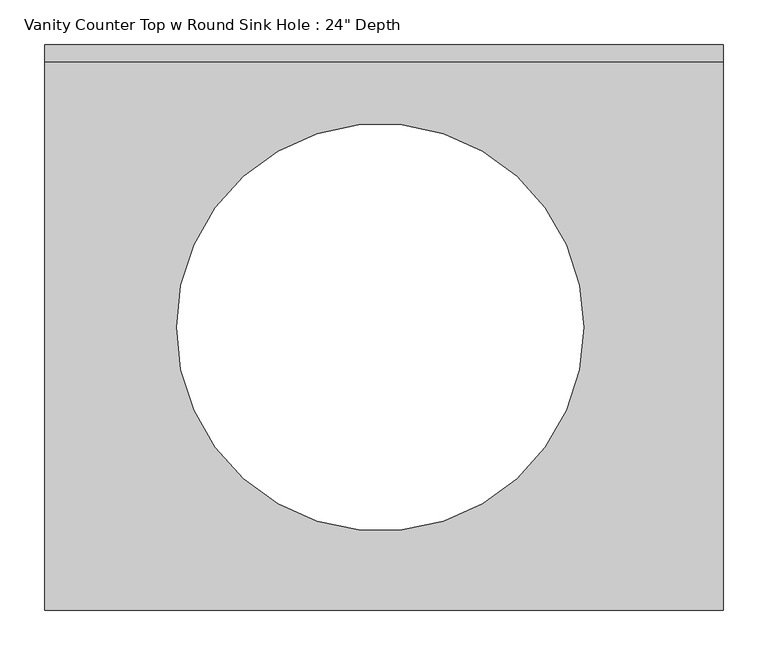
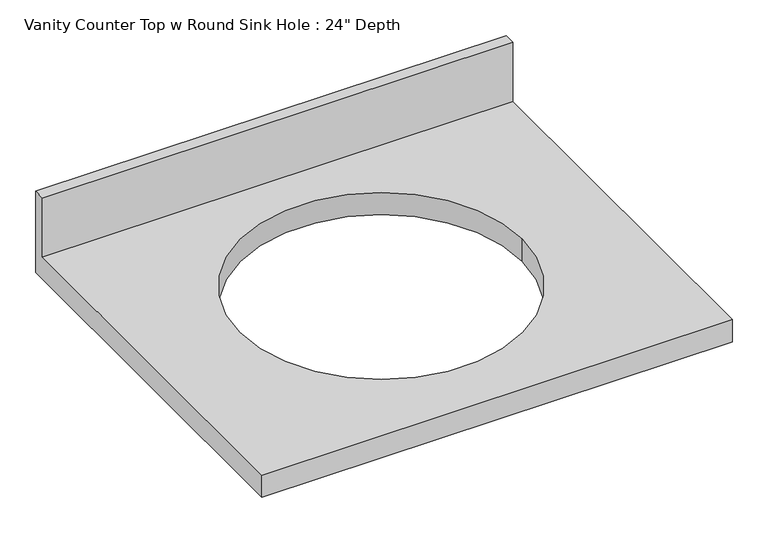
"""IFC4 building model written with IfcOpenShell, lengths in millimetres: furniture geometry."""

from ifc_helpers import new_model, si_unit, frame, origin, place, context, project, spatial, polyline, circle_curve, source, transform, mapped, element, save
from ifc_brep_helpers import plane_surface, revolved_surface, advanced_brep


def furniture_35bf651a(model_context):
    return source(origin(), model_context, "Body", "AdvancedBrep", [
        advanced_brep(
        [(-1327.4622951, -635.0, 787.4), (-565.4622951, -635.0, 787.4), (-565.4622951, -19.05, 787.4), (-1327.4622951, -19.05, 787.4), (-722.1075606, -317.5, 787.4), (-1179.3075606, -317.5, 787.4), (-565.4622951, 0.0, 749.3), (-565.4622951, -635.0, 749.3), (-1327.4622951, -635.0, 749.3), (-1327.4622951, 0.0, 749.3), (-1179.3075606, -317.5, 749.3), (-722.1075606, -317.5, 749.3), (-1327.4622951, 0.0, 889.0), (-565.4622951, 0.0, 889.0), (-1327.4622951, -19.05, 889.0), (-565.4622951, -19.05, 889.0)],
        [
            (0, 1),
            (1, 2),
            (2, 3),
            (3, 0),
            (4, 5, circle_curve(frame((-950.7075606, -317.5, 787.4), z_axis=(0.0, 0.0, -1.0), x_axis=(1.0, 0.0, 0.0)), 228.6)),
            (5, 4, circle_curve(frame((-950.7075606, -317.5, 787.4), z_axis=(0.0, 0.0, -1.0), x_axis=(1.0, 0.0, 0.0)), 228.6)),
            (6, 7),
            (7, 8),
            (8, 9),
            (9, 6),
            (10, 11, circle_curve(frame((-950.7075606, -317.5, 749.3), z_axis=(0.0, 0.0, 1.0), x_axis=(1.0, 0.0, 0.0)), 228.6)),
            (11, 10, circle_curve(frame((-950.7075606, -317.5, 749.3), z_axis=(0.0, 0.0, 1.0), x_axis=(1.0, 0.0, 0.0)), 228.6)),
            (9, 12),
            (12, 13),
            (13, 6),
            (8, 0),
            (3, 14),
            (14, 12),
            (7, 1),
            (13, 15),
            (15, 2),
            (14, 15),
            (4, 11),
            (10, 5),
        ],
        [
            plane_surface(frame((-1327.4622951, 0.0, 787.4), z_axis=(0.0, 0.0, 1.0), x_axis=(-1.0, 0.0, 0.0))),
            plane_surface(frame((-1327.4622951, 0.0, 749.3), z_axis=(0.0, 0.0, -1.0), x_axis=(1.0, 0.0, 0.0))),
            plane_surface(frame((-565.4622951, 0.0, 787.4), z_axis=(0.0, 1.0, 0.0), x_axis=(0.0, 0.0, -1.0))),
            plane_surface(frame((-1327.4622951, 0.0, 787.4), z_axis=(-1.0, 0.0, 0.0), x_axis=(0.0, 0.0, -1.0))),
            plane_surface(frame((-1327.4622951, -635.0, 787.4), z_axis=(0.0, -1.0, 0.0), x_axis=(0.0, 0.0, -1.0))),
            plane_surface(frame((-565.4622951, -635.0, 787.4), z_axis=(1.0, 0.0, 0.0), x_axis=(0.0, 0.0, -1.0))),
            plane_surface(frame((-1327.4622951, 0.0, 889.0), z_axis=(0.0, 0.0, 1.0), x_axis=(0.0, -1.0, 0.0))),
            plane_surface(frame((-1327.4622951, -19.05, 889.0), z_axis=(0.0, -1.0, 0.0), x_axis=(0.0, 0.0, -1.0))),
            revolved_surface(polyline([(-722.1075605999999, -317.5, 787.4), (-722.1075605999999, -317.5, 749.3)]), (-950.7075606, -317.5, 749.3), (0.0, 0.0, 1.0)),
        ],
        [
            (0, [[1, 2, 3, 4], [5, 6]]),
            (1, [[7, 8, 9, 10], [11, 12]]),
            (2, [[-10, 13, 14, 15]]),
            (3, [[-9, 16, -4, 17, 18, -13]]),
            (4, [[-1, -16, -8, 19]]),
            (5, [[-7, -15, 20, 21, -2, -19]]),
            (6, [[-18, 22, -20, -14]]),
            (7, [[-22, -17, -3, -21]]),
            (8, [[23, -11, 24, -5]]),
            (8, [[-23, -6, -24, -12]]),
        ],
    ),
    ])


if __name__ == "__main__":
    model = new_model("IFC4")
    model_context = context("Model", 3, world=origin())
    ifc_project = project(units=[si_unit("LENGTHUNIT", "METRE", prefix="MILLI")], contexts=[model_context])
    site = spatial("IfcSite", under=ifc_project)
    building = spatial("IfcBuilding", under=site)
    placement = place(None, origin())
    furniture_shape = furniture_35bf651a(model_context)
    element("IfcFurniture", 1, ObjectType="Vanity Counter Top w Round Sink Hole : 24\" Depth", at=placement, inside=building, context=model_context, shape_type="MappedRepresentation", body=[
        mapped(furniture_shape, transform((0.0, 0.0, 0.0), x_axis=(1.0, 0.0, 0.0), y_axis=(0.0, 1.0, 0.0), z_axis=(0.0, 0.0, 1.0))),
    ])
    save(model, "model.ifc")
